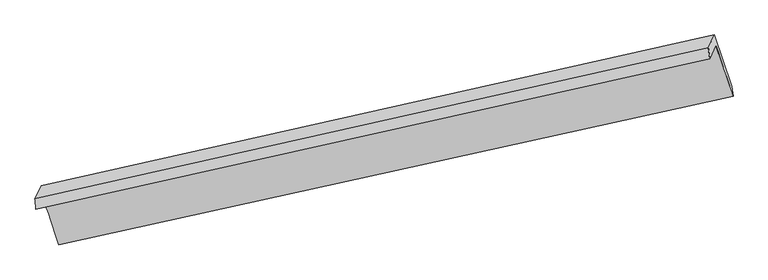
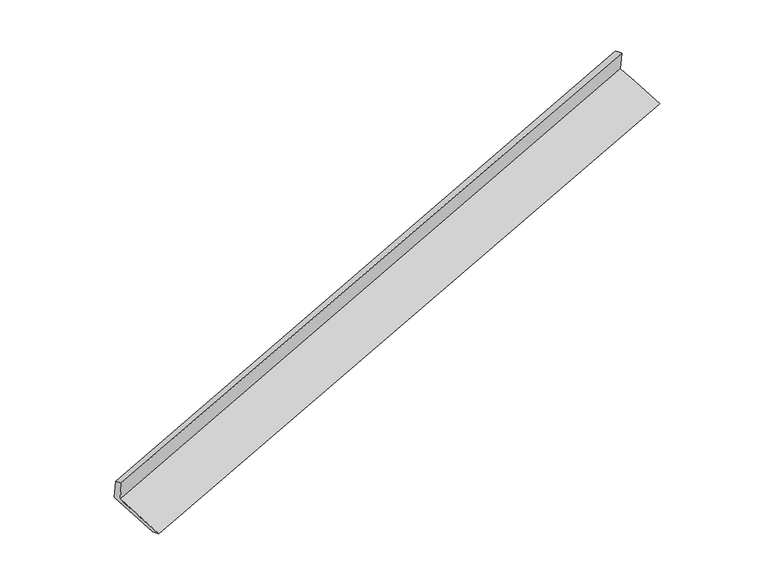
"""IFC4 building model written with IfcOpenShell, lengths in millimetres: proxy geometry."""

from ifc_helpers import new_model, si_unit, frame, origin, place, context, project, spatial, source, transform, mapped, element, save
from ifc_brep_helpers import plane_surface, spline_surface, advanced_brep


def generic_models_4f05547a(model_context):
    return source(origin(), model_context, "Body", "AdvancedBrep", [
        advanced_brep(
        [(-7601.8577531, -2500.7865193, 896.3405718), (-7514.3294457, -2312.1295593, 476.3762955), (1711.7677632, -258.6623479, 3323.7085011), (1627.9748804, -439.2680401, 3725.750063), (-7615.9344981, -2361.1317374, 842.9278565), (1610.3367916, -290.8172507, 3675.5464532), (-7530.273903, -2176.5004113, 431.9249374), (1692.2619622, -114.2371923, 3282.4662486), (-7303.7831738, -2854.1557193, 174.7124882), (1931.4848035, -817.8287579, 3016.2562833), (-7287.8387164, -2989.7848673, 219.1638463), (1947.9601269, -953.3408076, 3060.8708867)],
        [
            (0, 1),
            (1, 2),
            (2, 3),
            (3, 0),
            (4, 0),
            (3, 5),
            (5, 4),
            (6, 4),
            (5, 7),
            (7, 6),
            (8, 6),
            (7, 9),
            (9, 8),
            (10, 8),
            (9, 11),
            (11, 10),
            (1, 10),
            (11, 2),
        ],
        [
            plane_surface(frame((-7558.0935994, -2406.4580393, 686.3584336), z_axis=(0.30253171207102214, -0.8914256220576317, -0.33739431460909475), x_axis=(0.18677122609695043, 0.4025633852242614, -0.896135720735997))),
            spline_surface(1, 1, [[(-7615.9344981, -2361.1317374, 842.9278565), (1610.3367916, -290.8172507, 3675.5464532)], [(-7601.8577531, -2500.7865193, 896.3405718), (1627.9748804, -439.2680401, 3725.750063)]], [2, 2], [2, 2], [0.0, 1.0], [0.0, 1.0]),
            plane_surface(frame((-7573.1042006, -2268.8160744, 637.426397), z_axis=(-0.3034785547398134, 0.891214323850411, 0.3371020554326082), x_axis=(-0.18677122609692953, -0.4025633852242559, 0.8961357207360039))),
            spline_surface(1, 1, [[(-7303.7831738, -2854.1557193, 174.7124882), (1931.4848035, -817.8287579, 3016.2562833)], [(-7530.273903, -2176.5004113, 431.9249374), (1692.2619622, -114.2371923, 3282.4662486)]], [2, 2], [2, 2], [0.0, 1.0], [0.0, 1.0]),
            spline_surface(1, 1, [[(-7287.8387164, -2989.7848673, 219.1638463), (1947.9601269, -953.3408076, 3060.8708867)], [(-7303.7831738, -2854.1557193, 174.7124882), (1931.4848035, -817.8287579, 3016.2562833)]], [2, 2], [2, 2], [0.0, 1.0], [0.0, 1.0]),
            spline_surface(1, 1, [[(-7514.3294457, -2312.1295593, 476.3762955), (1711.7677632, -258.6623479, 3323.7085011)], [(-7287.8387164, -2989.7848673, 219.1638463), (1947.9601269, -953.3408076, 3060.8708867)]], [2, 2], [2, 2], [0.0, 1.0], [0.0, 1.0]),
            plane_surface(frame((1753.6310547, -479.0257327, 3347.4330727), z_axis=(0.9344937466665848, 0.20858611567656665, 0.2884671034763077), x_axis=(-0.30304776280859874, 0.8913105817972546, 0.3372350815572763))),
            plane_surface(frame((-7475.6695817, -2532.4148023, 506.9076659), z_axis=(-0.936034898332442, -0.20401449856904752, -0.2867346394794238), x_axis=(-0.18677122609694963, -0.4025633852242611, 0.8961357207359972))),
        ],
        [
            (0, [[1, 2, 3, 4]]),
            (1, [[5, -4, 6, 7]]),
            (2, [[8, -7, 9, 10]]),
            (3, [[11, -10, 12, 13]]),
            (4, [[14, -13, 15, 16]]),
            (5, [[17, -16, 18, -2]]),
            (6, [[-12, -9, -6, -3, -18, -15]]),
            (7, [[-1, -5, -8, -11, -14, -17]]),
        ],
    ),
    ])


if __name__ == "__main__":
    model = new_model("IFC4")
    model_context = context("Model", 3, world=origin())
    ifc_project = project(units=[si_unit("LENGTHUNIT", "METRE", prefix="MILLI")], contexts=[model_context])
    site = spatial("IfcSite", under=ifc_project)
    building = spatial("IfcBuilding", under=site)
    placement = place(None, origin())
    generic_models_shape = generic_models_4f05547a(model_context)
    element("IfcBuildingElementProxy", 1, Name="Generic Models", at=placement, inside=building, context=model_context, shape_type="MappedRepresentation", body=[
        mapped(generic_models_shape, transform((0.0, 0.0, 0.0), x_axis=(1.0, 0.0, 0.0), y_axis=(0.0, 1.0, 0.0), z_axis=(0.0, 0.0, 1.0))),
    ])
    save(model, "model.ifc")
